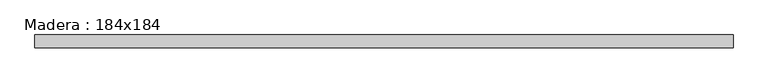
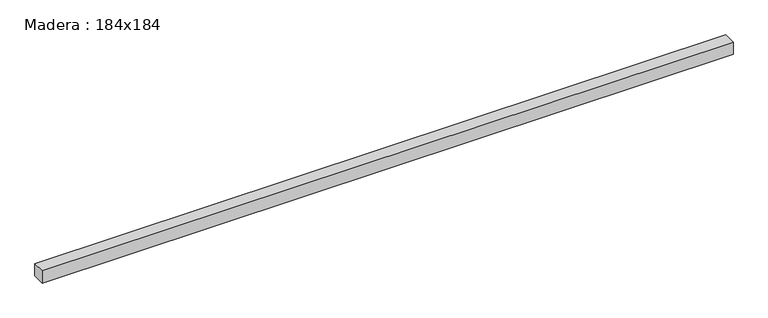
"""IFC4 building model written with IfcOpenShell, lengths in millimetres: beam geometry, Madera : 184x184."""

from ifc_helpers import new_model, si_unit, frame, origin, place, context, project, spatial, polyline, outline, extrude, source, transform, mapped, element, save


def madera_184x184_2e2f3f90(model_context):
    return source(origin(), model_context, "Body", "SweptSolid", [
        extrude(outline(polyline([(5175.028771, 95.25), (5175.028771, -95.25), (-5157.2834848, -95.25), (-5157.2834848, 95.25), (5175.028771, 95.25)])), frame((0.0, 0.0, -95.25), z_axis=(0.0, 0.0, 1.0), x_axis=(1.0, 0.0, 0.0)), (0.0, 0.0, 1.0), 190.5),
    ])


if __name__ == "__main__":
    model = new_model("IFC4")
    model_context = context("Model", 3, world=origin())
    ifc_project = project(units=[si_unit("LENGTHUNIT", "METRE", prefix="MILLI")], contexts=[model_context])
    site = spatial("IfcSite", under=ifc_project)
    building = spatial("IfcBuilding", under=site)
    placement = place(None, origin())
    madera_184x184_shape = madera_184x184_2e2f3f90(model_context)
    element("IfcBeam", 1, ObjectType="Madera : 184x184", at=placement, inside=building, context=model_context, shape_type="MappedRepresentation", body=[
        mapped(madera_184x184_shape, transform((0.0, 0.0, 0.0), x_axis=(1.0, 0.0, 0.0), y_axis=(0.0, 1.0, 0.0), z_axis=(0.0, 0.0, 1.0))),
    ])
    save(model, "model.ifc")
